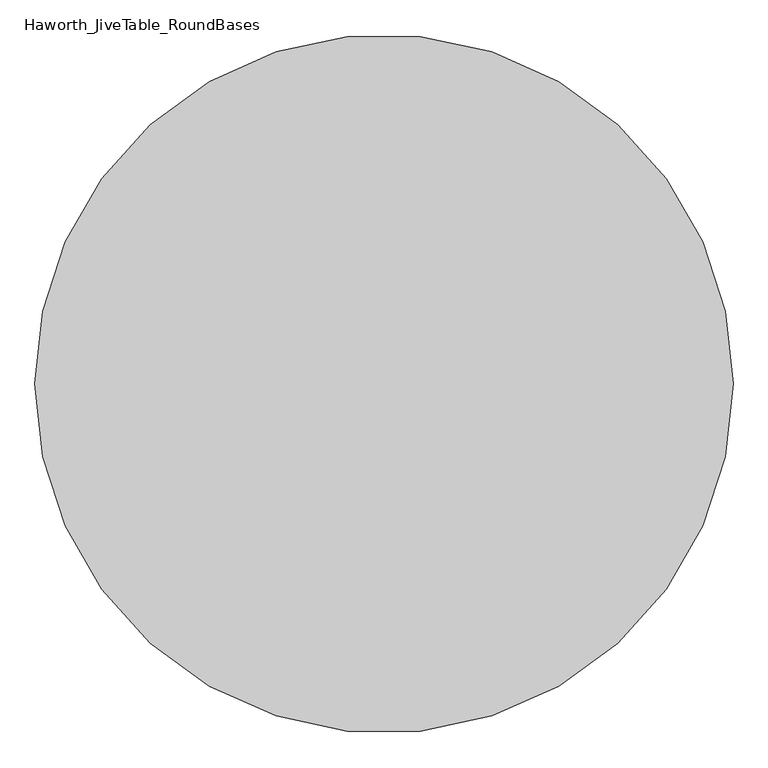
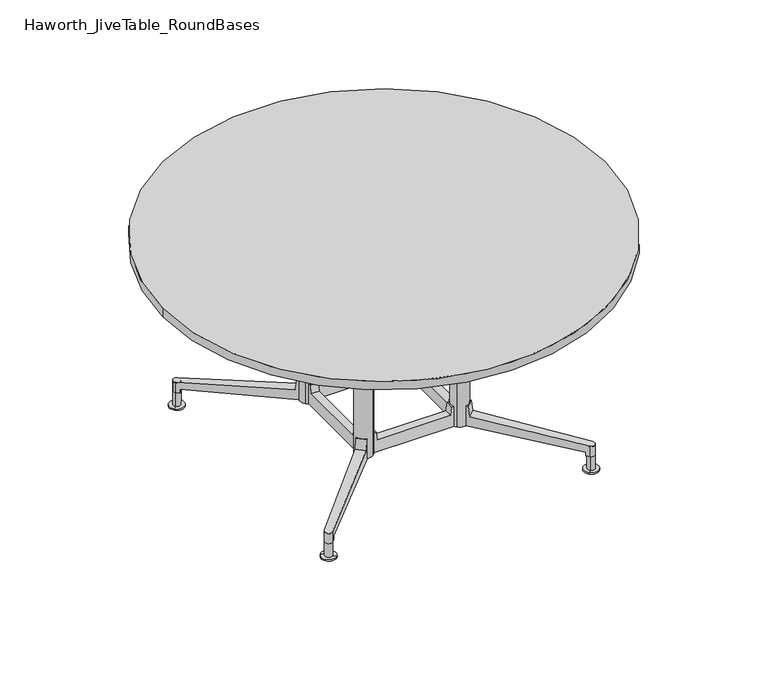
"""IFC4 building model written with IfcOpenShell, lengths in millimetres: furniture geometry, Haworth_JiveTable_RoundBases."""

import ifcopenshell
import ifcopenshell.guid

model = None  # the IFC model being written
_history = None  # IfcOwnerHistory: only IFC2X3 demands one
_inside = {}  # id of a spatial element -> (the spatial element, [elements in it])
_under = {}  # id of a project, library or spatial element -> (it, [spatial elements below it])
_declared = {}  # id of a project -> (the project, [libraries it declares])
_typed = {}  # id of a type object -> (the type object, [elements of that type])
_made_of = {}  # id of a material, layer set ... -> (it, [elements and type objects made of it])


def new_model(schema):
    """Start an empty IFC model of exactly this schema.

    Asked for "IFC4X3", IfcOpenShell would pick the latest addendum, in which some entities
    have other attributes; the version numbers below select the first issue.
    IFC2X3 requires an IfcOwnerHistory on every rooted entity: one is made here for all.
    """
    global model, _history
    if schema == "IFC4X3":
        model = ifcopenshell.file(schema_version=(4, 3, 0, 0))
    else:
        model = ifcopenshell.file(schema=schema)
    _inside.clear()
    _under.clear()
    _declared.clear()
    _typed.clear()
    _made_of.clear()
    _history = None
    if model.schema == "IFC2X3":
        org = make("IfcOrganization", Name="unknown")
        user = make(
            "IfcPersonAndOrganization",
            ThePerson=make("IfcPerson", FamilyName="unknown"),
            TheOrganization=org,
        )
        app = make(
            "IfcApplication",
            ApplicationDeveloper=org,
            Version="unknown",
            ApplicationFullName="unknown",
            ApplicationIdentifier="unknown",
        )
        _history = make(
            "IfcOwnerHistory",
            OwningUser=user,
            OwningApplication=app,
            ChangeAction="ADDED",
            CreationDate=0,
        )
    return model


def make(cls, **values):
    """One entity of the class cls with the attributes given. An attribute that is None is left unset."""
    return model.create_entity(
        cls, **{name: value for name, value in values.items() if value is not None}
    )


def rooted(cls, **values):
    """An entity with a GlobalId (a new one), such as an element, a storey or a relation."""
    return make(cls, GlobalId=ifcopenshell.guid.new(), OwnerHistory=_history, **values)


def si_unit(unit_type, name, prefix=None):
    """IfcSIUnit, for example si_unit("LENGTHUNIT", "METRE", prefix="MILLI")."""
    return make("IfcSIUnit", UnitType=unit_type, Prefix=prefix, Name=name)


def assignment(units):
    """IfcUnitAssignment: the units of a project."""
    return None if units is None else make("IfcUnitAssignment", Units=units)


def point(xyz):
    """IfcCartesianPoint."""
    return None if xyz is None else make("IfcCartesianPoint", Coordinates=xyz)


def direction(xyz):
    """IfcDirection."""
    return None if xyz is None else make("IfcDirection", DirectionRatios=xyz)


def frame(location, z_axis=None, x_axis=None):
    """IfcAxis2Placement3D, a coordinate frame: its origin and axes. An axis left out is left unset."""
    return make(
        "IfcAxis2Placement3D",
        Location=point(location),
        Axis=direction(z_axis),
        RefDirection=direction(x_axis),
    )


def frame_2d(location, x_axis=None):
    """IfcAxis2Placement2D, a coordinate frame in the plane: its origin and x axis."""
    return make(
        "IfcAxis2Placement2D", Location=point(location), RefDirection=direction(x_axis)
    )


def origin():
    """The frame at (0, 0, 0) with its axes left unset."""
    return frame((0.0, 0.0, 0.0))


def origin_2d():
    """The frame at (0, 0) in the plane with its x axis left unset."""
    return frame_2d((0.0, 0.0))


def place(relative_to, where):
    """IfcLocalPlacement: puts the frame where relative to a parent placement (None: the world)."""
    return make(
        "IfcLocalPlacement", PlacementRelTo=relative_to, RelativePlacement=where
    )


def context(
    kind, dimensions, precision=None, world=None, true_north=None, identifier=None
):
    """IfcGeometricRepresentationContext, for example the 3D "Model" context."""
    return make(
        "IfcGeometricRepresentationContext",
        ContextIdentifier=identifier,
        ContextType=kind,
        CoordinateSpaceDimension=dimensions,
        Precision=precision,
        WorldCoordinateSystem=world,
        TrueNorth=true_north,
    )


def project(units=None, contexts=None):
    """IfcProject with its units and contexts."""
    return rooted(
        "IfcProject",
        Name="project",
        RepresentationContexts=contexts,
        UnitsInContext=assignment(units),
    )


def spatial(cls, under=None, at=None, **own):
    """A site, building, storey or space (cls), placed at a placement, below another one or the project."""
    s = rooted(cls, ObjectPlacement=at, **own)
    if under is not None:
        _under.setdefault(under.id(), (under, []))[1].append(s)
    return s


def polyline(points):
    """IfcPolyline through the points."""
    return make("IfcPolyline", Points=[point(p) for p in points])


def circle_curve(where, radius):
    """IfcCircle in the frame where."""
    return make("IfcCircle", Position=where, Radius=radius)


def ellipse_curve(where, semi_axis1, semi_axis2):
    """IfcEllipse in the frame where."""
    return make(
        "IfcEllipse", Position=where, SemiAxis1=semi_axis1, SemiAxis2=semi_axis2
    )


def trimmed(basis, trim1, trim2, sense, master):
    """IfcTrimmedCurve: the piece of a basis curve between two trims."""
    return make(
        "IfcTrimmedCurve",
        BasisCurve=basis,
        Trim1=trim1,
        Trim2=trim2,
        SenseAgreement=sense,
        MasterRepresentation=master,
    )


def segment(curve, same_sense, transition):
    """IfcCompositeCurveSegment."""
    return make(
        "IfcCompositeCurveSegment",
        Transition=transition,
        SameSense=same_sense,
        ParentCurve=curve,
    )


def composite_curve(segments, self_intersect=None):
    """IfcCompositeCurve: segments joined end to end."""
    return make("IfcCompositeCurve", Segments=segments, SelfIntersect=self_intersect)


def outline(outer, holes=None, kind="AREA"):
    """IfcArbitraryClosedProfileDef: a profile drawn as a closed curve; with holes, ...WithVoids."""
    if holes is None:
        return make("IfcArbitraryClosedProfileDef", ProfileType=kind, OuterCurve=outer)
    return make(
        "IfcArbitraryProfileDefWithVoids",
        ProfileType=kind,
        OuterCurve=outer,
        InnerCurves=holes,
    )


def extrude(swept, where, along, depth):
    """IfcExtrudedAreaSolid: the profile swept, set in the frame where, extruded along a direction by depth."""
    return make(
        "IfcExtrudedAreaSolid",
        SweptArea=swept,
        Position=where,
        ExtrudedDirection=direction(along),
        Depth=depth,
    )


def shape(context_of_items, identifier, shape_type, items):
    """IfcShapeRepresentation: the items that make up one representation, for example the "Body"."""
    return make(
        "IfcShapeRepresentation",
        ContextOfItems=context_of_items,
        RepresentationIdentifier=identifier,
        RepresentationType=shape_type,
        Items=items,
    )


def source(mapping_origin, context_of_items, identifier, shape_type, items):
    """IfcRepresentationMap: a shape defined once, which mapped items show again and again."""
    return make(
        "IfcRepresentationMap",
        MappingOrigin=mapping_origin,
        MappedRepresentation=shape(context_of_items, identifier, shape_type, items),
    )


def transform(
    local_origin,
    x_axis=None,
    y_axis=None,
    z_axis=None,
    scale=None,
    scale2=None,
    scale3=None,
    uniform=True,
):
    """IfcCartesianTransformationOperator3D, or its non-uniform kind. x_axis, y_axis, z_axis: its Axis1, 2, 3."""
    if uniform:
        return make(
            "IfcCartesianTransformationOperator3D",
            Axis1=direction(x_axis),
            Axis2=direction(y_axis),
            LocalOrigin=point(local_origin),
            Scale=scale,
            Axis3=direction(z_axis),
        )
    return make(
        "IfcCartesianTransformationOperator3DnonUniform",
        Axis1=direction(x_axis),
        Axis2=direction(y_axis),
        LocalOrigin=point(local_origin),
        Scale=scale,
        Axis3=direction(z_axis),
        Scale2=scale2,
        Scale3=scale3,
    )


def mapped(mapping_source, mapping_target):
    """IfcMappedItem: shows the shape of a source again, moved by a transform."""
    return make(
        "IfcMappedItem", MappingSource=mapping_source, MappingTarget=mapping_target
    )


def made_of(thing, what):
    """Note that an element or type object is made of a material, layer set ...; save() writes the relation."""
    if what is not None:
        _made_of.setdefault(what.id(), (what, []))[1].append(thing)
    return thing


def element(
    cls,
    number,
    at=None,
    inside=None,
    cuts=None,
    type_object=None,
    material=None,
    context=None,
    identifier="Body",
    shape_type=None,
    held_by="IfcProductDefinitionShape",
    body=None,
    shapes=None,
    **own,
):
    """One element of the class cls, such as IfcWall. Its Tag is "e" and its number.

    at: its placement. inside: the storey or other place that contains it. cuts: it is an
    opening in that element (IfcRelVoidsElement). A single representation is given by context,
    identifier, shape_type and body (its items); several are given by shapes. held_by: the class
    of the entity that holds the representations. save() writes the other relations.
    """
    e = rooted(cls, Tag="e%d" % number, ObjectPlacement=at, **own)
    if body is not None:
        shapes = [shape(context, identifier, shape_type, body)]
    if shapes is not None:
        e.Representation = make(held_by, Representations=shapes)
    if inside is not None:
        _inside.setdefault(inside.id(), (inside, []))[1].append(e)
    if cuts is not None:
        rooted(
            "IfcRelVoidsElement", RelatingBuildingElement=cuts, RelatedOpeningElement=e
        )
    if type_object is not None:
        _typed.setdefault(type_object.id(), (type_object, []))[1].append(e)
    return made_of(e, material)


def aggregate(whole, parts):
    """IfcRelAggregates: a whole, such as a stair, and the parts it consists of."""
    return rooted("IfcRelAggregates", RelatingObject=whole, RelatedObjects=parts)


def save(model, path):
    """Write the relations noted so far, then the file.

    IfcRelAggregates (storeys below a building ...), IfcRelContainedInSpatialStructure (elements
    in a storey), IfcRelDefinesByType, IfcRelAssociatesMaterial and IfcRelDeclares: one each for
    every whole, place, type object, material and project.
    """
    for whole, parts in _under.values():
        aggregate(whole, parts)
    for where, things in _inside.values():
        rooted(
            "IfcRelContainedInSpatialStructure",
            RelatedElements=things,
            RelatingStructure=where,
        )
    for kind, things in _typed.values():
        rooted("IfcRelDefinesByType", RelatedObjects=things, RelatingType=kind)
    for what, things in _made_of.values():
        rooted("IfcRelAssociatesMaterial", RelatedObjects=things, RelatingMaterial=what)
    for by, libraries in _declared.values():
        rooted("IfcRelDeclares", RelatingContext=by, RelatedDefinitions=libraries)
    model.write(path)


def plane_surface(at):
    """IfcPlane: the flat surface through the origin of the frame at, square to its z axis."""
    return make("IfcPlane", Position=at)


def cylinder_surface(at, radius):
    """IfcCylindricalSurface: all points at the distance radius from the z axis of the frame at."""
    return make("IfcCylindricalSurface", Position=at, Radius=radius)


def revolved_surface(curve, axis_point, axis_direction):
    """IfcSurfaceOfRevolution: the curve turned about the line through axis_point along axis_direction."""
    return make(
        "IfcSurfaceOfRevolution",
        SweptCurve=make("IfcArbitraryOpenProfileDef", ProfileType="CURVE", Curve=curve),
        AxisPosition=make("IfcAxis1Placement", Location=point(axis_point), Axis=direction(axis_direction)),
    )


def advanced_brep(points, edges, surfaces, faces):
    """IfcAdvancedBrep: a solid bounded by faces that lie on surfaces and meet in shared edges.

    An edge is (start, end): straight between two places in points (the first is 0);
    or (start, end, curve); or (start, end, curve, False) where it runs against its curve.
    A face is (place in surfaces, loops), or (place, loops, False) where it looks against
    its surface's normal. A loop lists edges by number (the first is 1), with a minus sign
    where the edge is run from its end to its start. The first loop is the outer one.
    """
    corners = [point(p) for p in points]
    vertices = [make("IfcVertexPoint", VertexGeometry=c) for c in corners]
    made = []
    for start, end, *more in edges:
        made.append(
            make(
                "IfcEdgeCurve",
                EdgeStart=vertices[start],
                EdgeEnd=vertices[end],
                EdgeGeometry=more[0] if more else make("IfcPolyline", Points=[corners[start], corners[end]]),
                SameSense=more[1] if len(more) > 1 else True,
            )
        )
    hull = []
    for where, loops, *sense in faces:
        bounds = []
        for j, loop in enumerate(loops):
            ring = [make("IfcOrientedEdge", EdgeElement=made[abs(k) - 1], Orientation=k > 0) for k in loop]
            bounds.append(
                make(
                    "IfcFaceOuterBound" if j == 0 else "IfcFaceBound",
                    Bound=make("IfcEdgeLoop", EdgeList=ring),
                    Orientation=True,
                )
            )
        hull.append(make("IfcAdvancedFace", Bounds=bounds, FaceSurface=surfaces[where], SameSense=sense[0] if sense else True))
    return make("IfcAdvancedBrep", Outer=make("IfcClosedShell", CfsFaces=hull))


def haworth_jivetable_roundbases_fe98d9b0(model_context):
    return source(origin(), model_context, "Body", "SolidModel", [
        advanced_brep(
        [(170.888917, -194.8375246, 173.0375), (174.9978014, -198.8640417, 173.0375), (198.7923532, -175.5826329, 173.0375), (194.376776, -171.0697325, 173.0375), (194.376776, -171.0697325, 101.0421222), (170.888917, -194.8375246, 100.9940325), (202.3979173, -179.2676669, 136.3947533), (461.0733306, -443.6445174, 93.1247093), (461.0733306, -443.6445174, 55.5625), (452.4259678, -434.806559, 55.5625), (452.4259678, -434.806559, 69.4767965), (443.325022, -461.8123334, 93.057626), (443.325022, -461.8123334, 55.5625), (434.0821686, -452.7547637, 69.4767965), (434.0821686, -452.7547637, 55.5625), (178.6808514, -202.4732607, 136.3947533)],
        [
            (0, 1),
            (1, 2),
            (2, 3),
            (3, 0, circle_curve(frame((164.7248786, -165.2565777, 173.0375), z_axis=(0.0, 0.0, -1.0), x_axis=(0.7071067811865495, -0.7071067811865461, 0.0)), 30.2163497)),
            (3, 4),
            (4, 5, ellipse_curve(frame((164.7248786, -165.2565777, 103.1715999), z_axis=(-0.05961052197709179, 0.06092439113215622, -0.9963607801568641), x_axis=(0.6968124284208097, -0.7121707968128778, -0.08523611772719783)), 30.3267153, 30.2163497)),
            (5, 0),
            (2, 6),
            (6, 7),
            (7, 8),
            (8, 9),
            (9, 10),
            (10, 4),
            (11, 12),
            (12, 8, circle_curve(frame((452.0930745, -452.6247735, 55.5625), z_axis=(0.0, 0.0, 1.0), x_axis=(0.7071067811865495, -0.7071067811865461, 0.0)), 12.7)),
            (7, 11, ellipse_curve(frame((452.0930745, -452.6247735, 93.1085155), z_axis=(-0.08126042360887147, 0.08305147593597909, -0.9932266588748826), x_axis=(-0.6946205570575879, 0.7099306146467901, 0.11619296063117338)), 12.7866081, 12.7)),
            (5, 13),
            (13, 14),
            (14, 12),
            (11, 15),
            (15, 1),
            (6, 15),
            (10, 13),
            (9, 14),
        ],
        [
            plane_surface(frame((186.0910644, -186.6227634, 173.0375), z_axis=(0.0, 0.0, 1.0000000000000002), x_axis=(0.7071067811865459, 0.7071067811865492, 0.0))),
            revolved_surface(polyline([(186.09106437557418, -186.62276347557406, 100.58666842441), (186.09106437557418, -186.62276347557406, 173.0375)]), (164.7248786, -165.2565777, 30.1625), (0.0, 0.0, -1.0)),
            plane_surface(frame((194.376776, -171.0697325, 173.0375), z_axis=(0.7147720092924127, 0.6993575442733762, 0.0), x_axis=(0.0, 0.0, -1.0))),
            cylinder_surface(frame((452.0930745, -452.6247735, 30.1625), z_axis=(0.0, 0.0, 1.0), x_axis=(0.7071067811865495, -0.7071067811865461, 0.0)), 12.7),
            plane_surface(frame((443.325022, -461.8123334, 173.0375), z_axis=(-0.6999117667834052, -0.7142293180191727, 0.0), x_axis=(0.0, 0.0, -1.0))),
            plane_surface(frame((454.6282112, -494.3704026, 89.4104246), z_axis=(0.08126042360887147, -0.08305147593597909, 0.9932266588748826), x_axis=(0.714772009292413, 0.6993575442733757, 0.0))),
            plane_surface(frame((173.7481958, -207.2995408, 136.3947533), z_axis=(0.6925364975808149, -0.7078006206374374, 0.13932509086218658), x_axis=(0.714772009292413, 0.6993575442733757, 0.0))),
            plane_surface(frame((148.2100917, -181.140637, 103.1883894), z_axis=(-0.05961052197709179, 0.06092439113215622, -0.9963607801568641), x_axis=(0.7147720092924127, 0.699357544273376, 0.0))),
            plane_surface(frame((423.805198, -462.8101056, 69.4767965), z_axis=(-0.699357544273376, 0.7147720092924127, 0.0), x_axis=(0.7147720092924127, 0.699357544273376, 0.0))),
            plane_surface(frame((423.805198, -462.8101056, 55.5625), z_axis=(0.0, 0.0, -1.0), x_axis=(0.7147720092924127, 0.699357544273376, 0.0))),
        ],
        [
            (0, [[1, 2, 3, 4]]),
            (1, [[5, 6, 7, -4]]),
            (2, [[8, 9, 10, 11, 12, 13, -5, -3]]),
            (3, [[14, 15, -10, 16]]),
            (4, [[-7, 17, 18, 19, -14, 20, 21, -1]]),
            (5, [[-20, -16, -9, 22]]),
            (6, [[-8, -2, -21, -22]]),
            (7, [[-17, -6, -13, 23]]),
            (8, [[-12, 24, -18, -23]]),
            (9, [[-11, -15, -19, -24]]),
        ],
    ),
        advanced_brep(
        [(452.1640739, -452.5537741, 91.1070474), (461.14433, -443.573518, 91.1070474), (443.1838178, -461.5340303, 91.1070474), (434.2035616, -470.5142864, 0.0), (470.1245861, -434.5932619, 0.0), (452.1640739, -452.5537741, 0.0), (434.2035616, -470.5142864, 4.7625), (470.1245861, -434.5932619, 4.7625), (443.1838178, -461.5340303, 4.7625), (461.14433, -443.573518, 4.7625)],
        [
            (0, 1),
            (1, 2, circle_curve(frame((452.1640739, -452.5537741, 91.1070474), z_axis=(0.0, 0.0, 1.0), x_axis=(0.7071067811865104, 0.7071067811865848, 0.0)), 12.7)),
            (2, 0),
            (2, 1, circle_curve(frame((452.1640739, -452.5537741, 91.1070474), z_axis=(0.0, 0.0, 1.0), x_axis=(0.7071067811865104, 0.7071067811865848, 0.0)), 12.7)),
            (3, 4, circle_curve(frame((452.1640739, -452.5537741, 0.0), z_axis=(0.0, 0.0, -1.0), x_axis=(0.7071067811865104, 0.7071067811865848, 0.0)), 25.4)),
            (4, 5),
            (5, 3),
            (4, 3, circle_curve(frame((452.1640739, -452.5537741, 0.0), z_axis=(0.0, 0.0, -1.0), x_axis=(0.7071067811865104, 0.7071067811865848, 0.0)), 25.4)),
            (6, 7, circle_curve(frame((452.1640739, -452.5537741, 4.7625), z_axis=(0.0, 0.0, -1.0), x_axis=(0.7071067811865104, 0.7071067811865848, 0.0)), 25.4)),
            (7, 4),
            (3, 6),
            (7, 6, circle_curve(frame((452.1640739, -452.5537741, 4.7625), z_axis=(0.0, 0.0, -1.0), x_axis=(0.7071067811865104, 0.7071067811865848, 0.0)), 25.4)),
            (8, 9, circle_curve(frame((452.1640739, -452.5537741, 4.7625), z_axis=(0.0, 0.0, -1.0), x_axis=(0.7071067811865104, 0.7071067811865848, 0.0)), 12.7)),
            (9, 7),
            (6, 8),
            (9, 8, circle_curve(frame((452.1640739, -452.5537741, 4.7625), z_axis=(0.0, 0.0, -1.0), x_axis=(0.7071067811865104, 0.7071067811865848, 0.0)), 12.7)),
            (1, 9),
            (8, 2),
        ],
        [
            plane_surface(frame((452.1640739, -452.5537741, 91.1070474), z_axis=(0.0, 0.0, 1.0), x_axis=(0.7071067811865104, 0.7071067811865848, 0.0))),
            plane_surface(frame((452.1640739, -452.5537741, 0.0), z_axis=(0.0, 0.0, -1.0), x_axis=(0.7071067811865104, 0.7071067811865848, 0.0))),
            cylinder_surface(frame((452.1640739, -452.5537741, 106.1427212), z_axis=(0.0, 0.0, 1.0), x_axis=(0.7071067811865104, 0.7071067811865848, 0.0)), 25.4),
            plane_surface(frame((452.1640739, -452.5537741, 4.7625), z_axis=(0.0, 0.0, 1.0), x_axis=(0.7071067811865104, 0.7071067811865848, 0.0))),
            cylinder_surface(frame((452.1640739, -452.5537741, 106.1427212), z_axis=(0.0, 0.0, 1.0), x_axis=(0.7071067811865104, 0.7071067811865848, 0.0)), 12.7),
        ],
        [
            (0, [[1, 2, 3]]),
            (0, [[-3, 4, -1]]),
            (1, [[5, 6, 7]]),
            (1, [[8, -7, -6]]),
            (2, [[9, 10, -5, 11]]),
            (2, [[12, -11, -8, -10]]),
            (3, [[13, 14, -9, 15]]),
            (3, [[16, -15, -12, -14]]),
            (4, [[-2, 17, -13, 18]]),
            (4, [[-4, -18, -16, -17]]),
        ],
    ),
        extrude(outline(composite_curve([segment(trimmed(circle_curve(frame_2d((165.0598712, -164.8023438)), 29.972), [point((186.2532756, -143.6089393))], [point((143.8664667, -185.9957482))], False, "CARTESIAN"), True, "CONTINUOUS"), segment(trimmed(circle_curve(frame_2d((165.0598712, -164.8023438)), 29.972), [point((143.8664667, -185.9957482))], [point((186.2532756, -143.6089393))], False, "CARTESIAN"), True, "CONTINUOUS")], self_intersect=False)), frame((0.0, 0.0, 100.8404831), z_axis=(0.0, 0.0, 1.0), x_axis=(1.0, 0.0, 0.0)), (0.0, 0.0, 1.0), 599.2470169),
        extrude(outline(composite_curve([segment(trimmed(circle_curve(frame_2d((232.2796151, -97.5825999)), 8.9802561), [point((232.2796151, -88.6023438))], [point((241.2598712, -97.5825999))], False, "CARTESIAN"), True, "CONTINUOUS"), segment(polyline([(241.2598712, -97.5825999), (241.2598712, -232.0220876)]), True, "CONTINUOUS"), segment(trimmed(circle_curve(frame_2d((232.2796151, -232.0220876)), 8.9802561), [point((241.2598712, -232.0220876))], [point((232.2796151, -241.0023438))], False, "CARTESIAN"), True, "CONTINUOUS"), segment(polyline([(232.2796151, -241.0023438), (97.8401273, -241.0023438)]), True, "CONTINUOUS"), segment(trimmed(circle_curve(frame_2d((97.8401273, -232.0220876)), 8.9802561), [point((97.8401273, -241.0023438))], [point((88.8598712, -232.0220876))], False, "CARTESIAN"), True, "CONTINUOUS"), segment(polyline([(88.8598712, -232.0220876), (88.8598712, -97.5825999)]), True, "CONTINUOUS"), segment(trimmed(circle_curve(frame_2d((97.8401273, -97.5825999)), 8.9802561), [point((88.8598712, -97.5825999))], [point((97.8401273, -88.6023438))], False, "CARTESIAN"), True, "CONTINUOUS"), segment(polyline([(97.8401273, -88.6023438), (232.2796151, -88.6023438)]), True, "CONTINUOUS")], self_intersect=False)), frame((0.0, 0.0, 700.0875), z_axis=(0.0, 0.0, 1.0), x_axis=(1.0, 0.0, 0.0)), (0.0, 0.0, 1.0), 6.35),
        advanced_brep(
        [(-170.888917, -194.8375246, 173.0375), (-194.376776, -171.0697325, 173.0375), (-198.7923532, -175.5826329, 173.0375), (-174.9978014, -198.8640417, 173.0375), (-170.888917, -194.8375246, 100.9940325), (-194.376776, -171.0697325, 101.0421222), (-452.4259678, -434.806559, 69.4767965), (-452.4259678, -434.806559, 55.5625), (-461.0733306, -443.6445174, 55.5625), (-461.0733306, -443.6445174, 93.1247093), (-202.3979173, -179.2676669, 136.3947533), (-443.325022, -461.8123334, 93.057626), (-443.325022, -461.8123334, 55.5625), (-178.6808514, -202.4732607, 136.3947533), (-434.0821686, -452.7547637, 55.5625), (-434.0821686, -452.7547637, 69.4767965)],
        [
            (0, 1, circle_curve(frame((-164.7248786, -165.2565777, 173.0375), z_axis=(0.0, 0.0, -1.0), x_axis=(-0.7071067811865495, -0.7071067811865461, 0.0)), 30.2163497)),
            (1, 2),
            (2, 3),
            (3, 0),
            (0, 4),
            (4, 5, ellipse_curve(frame((-164.7248786, -165.2565777, 103.1715999), z_axis=(0.05961052197709179, 0.06092439113215622, -0.9963607801568641), x_axis=(-0.6968124284208097, -0.7121707968128778, -0.08523611772719783)), 30.3267153, 30.2163497)),
            (5, 1),
            (5, 6),
            (6, 7),
            (7, 8),
            (8, 9),
            (9, 10),
            (10, 2),
            (11, 9, ellipse_curve(frame((-452.0930745, -452.6247735, 93.1085155), z_axis=(0.08126042360887147, 0.08305147593597909, -0.9932266588748826), x_axis=(0.6946205570575879, 0.7099306146467901, 0.11619296063117338)), 12.7866081, 12.7)),
            (8, 12, circle_curve(frame((-452.0930745, -452.6247735, 55.5625), z_axis=(0.0, 0.0, 1.0), x_axis=(-0.7071067811865495, -0.7071067811865461, 0.0)), 12.7)),
            (12, 11),
            (3, 13),
            (13, 11),
            (12, 14),
            (14, 15),
            (15, 4),
            (13, 10),
            (15, 6),
            (14, 7),
        ],
        [
            plane_surface(frame((-186.0910644, -186.6227634, 173.0375), z_axis=(0.0, 0.0, 1.0000000000000002), x_axis=(-0.7071067811865459, 0.7071067811865492, 0.0))),
            revolved_surface(polyline([(-186.09106437557418, -186.62276347557406, 100.58666842441), (-186.09106437557418, -186.62276347557406, 173.0375)]), (-164.7248786, -165.2565777, 30.1625), (0.0, 0.0, -1.0)),
            plane_surface(frame((-194.376776, -171.0697325, 173.0375), z_axis=(-0.7147720092924127, 0.6993575442733762, 0.0), x_axis=(0.0, 0.0, -1.0))),
            cylinder_surface(frame((-452.0930745, -452.6247735, 30.1625), z_axis=(0.0, 0.0, 1.0), x_axis=(-0.7071067811865495, -0.7071067811865461, 0.0)), 12.7),
            plane_surface(frame((-443.325022, -461.8123334, 173.0375), z_axis=(0.6999117667834052, -0.7142293180191727, 0.0), x_axis=(0.0, 0.0, -1.0))),
            plane_surface(frame((-454.6282112, -494.3704026, 89.4104246), z_axis=(-0.08126042360887147, -0.08305147593597909, 0.9932266588748826), x_axis=(-0.714772009292413, 0.6993575442733757, 0.0))),
            plane_surface(frame((-173.7481958, -207.2995408, 136.3947533), z_axis=(-0.6925364975808149, -0.7078006206374374, 0.13932509086218658), x_axis=(-0.714772009292413, 0.6993575442733757, 0.0))),
            plane_surface(frame((-148.2100917, -181.140637, 103.1883894), z_axis=(0.05961052197709179, 0.06092439113215622, -0.9963607801568641), x_axis=(-0.7147720092924127, 0.699357544273376, 0.0))),
            plane_surface(frame((-423.805198, -462.8101056, 69.4767965), z_axis=(0.699357544273376, 0.7147720092924127, 0.0), x_axis=(-0.7147720092924127, 0.699357544273376, 0.0))),
            plane_surface(frame((-423.805198, -462.8101056, 55.5625), z_axis=(0.0, 0.0, -1.0), x_axis=(-0.7147720092924127, 0.699357544273376, 0.0))),
        ],
        [
            (0, [[1, 2, 3, 4]]),
            (1, [[-1, 5, 6, 7]]),
            (2, [[-2, -7, 8, 9, 10, 11, 12, 13]]),
            (3, [[14, -11, 15, 16]]),
            (4, [[-4, 17, 18, -16, 19, 20, 21, -5]]),
            (5, [[22, -12, -14, -18]]),
            (6, [[-22, -17, -3, -13]]),
            (7, [[23, -8, -6, -21]]),
            (8, [[-23, -20, 24, -9]]),
            (9, [[-24, -19, -15, -10]]),
        ],
    ),
        advanced_brep(
        [(-452.1640739, -452.5537741, 91.1070474), (-443.1838178, -461.5340303, 91.1070474), (-461.14433, -443.573518, 91.1070474), (-434.2035616, -470.5142864, 0.0), (-452.1640739, -452.5537741, 0.0), (-470.1245861, -434.5932619, 0.0), (-434.2035616, -470.5142864, 4.7625), (-470.1245861, -434.5932619, 4.7625), (-443.1838178, -461.5340303, 4.7625), (-461.14433, -443.573518, 4.7625)],
        [
            (0, 1),
            (1, 2, circle_curve(frame((-452.1640739, -452.5537741, 91.1070474), z_axis=(0.0, 0.0, 1.0), x_axis=(-0.7071067811865104, 0.7071067811865848, 0.0)), 12.7)),
            (2, 0),
            (2, 1, circle_curve(frame((-452.1640739, -452.5537741, 91.1070474), z_axis=(0.0, 0.0, 1.0), x_axis=(-0.7071067811865104, 0.7071067811865848, 0.0)), 12.7)),
            (3, 4),
            (4, 5),
            (5, 3, circle_curve(frame((-452.1640739, -452.5537741, 0.0), z_axis=(0.0, 0.0, -1.0), x_axis=(-0.7071067811865104, 0.7071067811865848, 0.0)), 25.4)),
            (3, 5, circle_curve(frame((-452.1640739, -452.5537741, 0.0), z_axis=(0.0, 0.0, -1.0), x_axis=(-0.7071067811865104, 0.7071067811865848, 0.0)), 25.4)),
            (6, 3),
            (5, 7),
            (7, 6, circle_curve(frame((-452.1640739, -452.5537741, 4.7625), z_axis=(0.0, 0.0, -1.0), x_axis=(-0.7071067811865104, 0.7071067811865848, 0.0)), 25.4)),
            (6, 7, circle_curve(frame((-452.1640739, -452.5537741, 4.7625), z_axis=(0.0, 0.0, -1.0), x_axis=(-0.7071067811865104, 0.7071067811865848, 0.0)), 25.4)),
            (8, 6),
            (7, 9),
            (9, 8, circle_curve(frame((-452.1640739, -452.5537741, 4.7625), z_axis=(0.0, 0.0, -1.0), x_axis=(-0.7071067811865104, 0.7071067811865848, 0.0)), 12.7)),
            (8, 9, circle_curve(frame((-452.1640739, -452.5537741, 4.7625), z_axis=(0.0, 0.0, -1.0), x_axis=(-0.7071067811865104, 0.7071067811865848, 0.0)), 12.7)),
            (1, 8),
            (9, 2),
        ],
        [
            plane_surface(frame((-452.1640739, -452.5537741, 91.1070474), z_axis=(0.0, 0.0, 1.0), x_axis=(-0.7071067811865104, 0.7071067811865848, 0.0))),
            plane_surface(frame((-452.1640739, -452.5537741, 0.0), z_axis=(0.0, 0.0, -1.0), x_axis=(-0.7071067811865104, 0.7071067811865848, 0.0))),
            cylinder_surface(frame((-452.1640739, -452.5537741, 106.1427212), z_axis=(0.0, 0.0, 1.0), x_axis=(-0.7071067811865104, 0.7071067811865848, 0.0)), 25.4),
            plane_surface(frame((-452.1640739, -452.5537741, 4.7625), z_axis=(0.0, 0.0, 1.0), x_axis=(-0.7071067811865104, 0.7071067811865848, 0.0))),
            cylinder_surface(frame((-452.1640739, -452.5537741, 106.1427212), z_axis=(0.0, 0.0, 1.0), x_axis=(-0.7071067811865104, 0.7071067811865848, 0.0)), 12.7),
        ],
        [
            (0, [[1, 2, 3]]),
            (0, [[-3, 4, -1]]),
            (1, [[5, 6, 7]]),
            (1, [[-6, -5, 8]]),
            (2, [[9, -7, 10, 11]]),
            (2, [[-10, -8, -9, 12]]),
            (3, [[13, -11, 14, 15]]),
            (3, [[-14, -12, -13, 16]]),
            (4, [[17, -15, 18, -2]]),
            (4, [[-18, -16, -17, -4]]),
        ],
    ),
        extrude(outline(composite_curve([segment(trimmed(circle_curve(frame_2d((-165.0598712, -164.8023438)), 29.972), [point((-186.2532756, -143.6089393))], [point((-143.8664667, -185.9957482))], False, "CARTESIAN"), True, "CONTINUOUS"), segment(trimmed(circle_curve(frame_2d((-165.0598712, -164.8023438)), 29.972), [point((-143.8664667, -185.9957482))], [point((-186.2532756, -143.6089393))], False, "CARTESIAN"), True, "CONTINUOUS")], self_intersect=False)), frame((0.0, 0.0, 100.8404831), z_axis=(0.0, 0.0, 1.0), x_axis=(1.0, 0.0, 0.0)), (0.0, 0.0, 1.0), 599.2470169),
        extrude(outline(composite_curve([segment(polyline([(-232.2796151, -88.6023438), (-97.8401273, -88.6023438)]), True, "CONTINUOUS"), segment(trimmed(circle_curve(frame_2d((-97.8401273, -97.5825999)), 8.9802561), [point((-97.8401273, -88.6023438))], [point((-88.8598712, -97.5825999))], False, "CARTESIAN"), True, "CONTINUOUS"), segment(polyline([(-88.8598712, -97.5825999), (-88.8598712, -232.0220876)]), True, "CONTINUOUS"), segment(trimmed(circle_curve(frame_2d((-97.8401273, -232.0220876)), 8.9802561), [point((-88.8598712, -232.0220876))], [point((-97.8401273, -241.0023438))], False, "CARTESIAN"), True, "CONTINUOUS"), segment(polyline([(-97.8401273, -241.0023438), (-232.2796151, -241.0023438)]), True, "CONTINUOUS"), segment(trimmed(circle_curve(frame_2d((-232.2796151, -232.0220876)), 8.9802561), [point((-232.2796151, -241.0023438))], [point((-241.2598712, -232.0220876))], False, "CARTESIAN"), True, "CONTINUOUS"), segment(polyline([(-241.2598712, -232.0220876), (-241.2598712, -97.5825999)]), True, "CONTINUOUS"), segment(trimmed(circle_curve(frame_2d((-232.2796151, -97.5825999)), 8.9802561), [point((-241.2598712, -97.5825999))], [point((-232.2796151, -88.6023438))], False, "CARTESIAN"), True, "CONTINUOUS")], self_intersect=False)), frame((0.0, 0.0, 700.0875), z_axis=(0.0, 0.0, 1.0), x_axis=(1.0, 0.0, 0.0)), (0.0, 0.0, 1.0), 6.35),
        advanced_brep(
        [(170.888917, 194.8656432, 173.0375), (194.376776, 171.0978511, 173.0375), (198.7923532, 175.6107515, 173.0375), (174.9978014, 198.8921602, 173.0375), (170.888917, 194.8656432, 100.9940325), (194.376776, 171.0978511, 101.0421222), (452.4259678, 434.8346776, 69.4767965), (452.4259678, 434.8346776, 55.5625), (461.0733306, 443.672636, 55.5625), (461.0733306, 443.672636, 93.1247093), (202.3979173, 179.2957854, 136.3947533), (443.325022, 461.840452, 93.057626), (443.325022, 461.840452, 55.5625), (178.6808514, 202.5013793, 136.3947533), (434.0821686, 452.7828822, 55.5625), (434.0821686, 452.7828822, 69.4767965)],
        [
            (0, 1, circle_curve(frame((164.7248786, 165.2846962, 173.0375), z_axis=(0.0, 0.0, -1.0), x_axis=(0.7071067811865495, 0.7071067811865461, 0.0)), 30.2163497)),
            (1, 2),
            (2, 3),
            (3, 0),
            (0, 4),
            (4, 5, ellipse_curve(frame((164.7248786, 165.2846962, 103.1715999), z_axis=(-0.05961052197709179, -0.06092439113215622, -0.9963607801568641), x_axis=(0.6968124284208097, 0.7121707968128778, -0.08523611772719783)), 30.3267153, 30.2163497)),
            (5, 1),
            (5, 6),
            (6, 7),
            (7, 8),
            (8, 9),
            (9, 10),
            (10, 2),
            (11, 9, ellipse_curve(frame((452.0930745, 452.6528921, 93.1085155), z_axis=(-0.08126042360887147, -0.08305147593597909, -0.9932266588748826), x_axis=(-0.6946205570575879, -0.7099306146467901, 0.11619296063117338)), 12.7866081, 12.7)),
            (8, 12, circle_curve(frame((452.0930745, 452.6528921, 55.5625), z_axis=(0.0, 0.0, 1.0), x_axis=(0.7071067811865495, 0.7071067811865461, 0.0)), 12.7)),
            (12, 11),
            (3, 13),
            (13, 11),
            (12, 14),
            (14, 15),
            (15, 4),
            (13, 10),
            (15, 6),
            (14, 7),
        ],
        [
            plane_surface(frame((186.0910644, 186.650882, 173.0375), z_axis=(0.0, 0.0, 1.0000000000000002), x_axis=(0.7071067811865459, -0.7071067811865492, 0.0))),
            revolved_surface(polyline([(186.09106437557418, 186.65088197557407, 100.58666842441), (186.09106437557418, 186.65088197557407, 173.0375)]), (164.7248786, 165.2846962, 30.1625), (0.0, 0.0, -1.0)),
            plane_surface(frame((194.376776, 171.0978511, 173.0375), z_axis=(0.7147720092924127, -0.6993575442733762, 0.0), x_axis=(0.0, 0.0, -1.0))),
            cylinder_surface(frame((452.0930745, 452.6528921, 30.1625), z_axis=(0.0, 0.0, 1.0), x_axis=(0.7071067811865495, 0.7071067811865461, 0.0)), 12.7),
            plane_surface(frame((443.325022, 461.840452, 173.0375), z_axis=(-0.6999117667834052, 0.7142293180191727, 0.0), x_axis=(0.0, 0.0, -1.0))),
            plane_surface(frame((454.6282112, 494.3985212, 89.4104246), z_axis=(0.08126042360887147, 0.08305147593597909, 0.9932266588748826), x_axis=(0.714772009292413, -0.6993575442733757, 0.0))),
            plane_surface(frame((173.7481958, 207.3276593, 136.3947533), z_axis=(0.6925364975808149, 0.7078006206374374, 0.13932509086218658), x_axis=(0.714772009292413, -0.6993575442733757, 0.0))),
            plane_surface(frame((148.2100917, 181.1687556, 103.1883894), z_axis=(-0.05961052197709179, -0.06092439113215622, -0.9963607801568641), x_axis=(0.7147720092924127, -0.699357544273376, 0.0))),
            plane_surface(frame((423.805198, 462.8382242, 69.4767965), z_axis=(-0.699357544273376, -0.7147720092924127, 0.0), x_axis=(0.7147720092924127, -0.699357544273376, 0.0))),
            plane_surface(frame((423.805198, 462.8382242, 55.5625), z_axis=(0.0, 0.0, -1.0), x_axis=(0.7147720092924127, -0.699357544273376, 0.0))),
        ],
        [
            (0, [[1, 2, 3, 4]]),
            (1, [[-1, 5, 6, 7]]),
            (2, [[-2, -7, 8, 9, 10, 11, 12, 13]]),
            (3, [[14, -11, 15, 16]]),
            (4, [[-4, 17, 18, -16, 19, 20, 21, -5]]),
            (5, [[22, -12, -14, -18]]),
            (6, [[-22, -17, -3, -13]]),
            (7, [[23, -8, -6, -21]]),
            (8, [[-23, -20, 24, -9]]),
            (9, [[-24, -19, -15, -10]]),
        ],
    ),
        advanced_brep(
        [(452.1640739, 452.5818927, 91.1070474), (443.1838178, 461.5621488, 91.1070474), (461.14433, 443.6016366, 91.1070474), (434.2035616, 470.542405, 0.0), (452.1640739, 452.5818927, 0.0), (470.1245861, 434.6213805, 0.0), (434.2035616, 470.542405, 4.7625), (470.1245861, 434.6213805, 4.7625), (443.1838178, 461.5621488, 4.7625), (461.14433, 443.6016366, 4.7625)],
        [
            (0, 1),
            (1, 2, circle_curve(frame((452.1640739, 452.5818927, 91.1070474), z_axis=(0.0, 0.0, 1.0), x_axis=(0.7071067811865104, -0.7071067811865848, 0.0)), 12.7)),
            (2, 0),
            (2, 1, circle_curve(frame((452.1640739, 452.5818927, 91.1070474), z_axis=(0.0, 0.0, 1.0), x_axis=(0.7071067811865104, -0.7071067811865848, 0.0)), 12.7)),
            (3, 4),
            (4, 5),
            (5, 3, circle_curve(frame((452.1640739, 452.5818927, 0.0), z_axis=(0.0, 0.0, -1.0), x_axis=(0.7071067811865104, -0.7071067811865848, 0.0)), 25.4)),
            (3, 5, circle_curve(frame((452.1640739, 452.5818927, 0.0), z_axis=(0.0, 0.0, -1.0), x_axis=(0.7071067811865104, -0.7071067811865848, 0.0)), 25.4)),
            (6, 3),
            (5, 7),
            (7, 6, circle_curve(frame((452.1640739, 452.5818927, 4.7625), z_axis=(0.0, 0.0, -1.0), x_axis=(0.7071067811865104, -0.7071067811865848, 0.0)), 25.4)),
            (6, 7, circle_curve(frame((452.1640739, 452.5818927, 4.7625), z_axis=(0.0, 0.0, -1.0), x_axis=(0.7071067811865104, -0.7071067811865848, 0.0)), 25.4)),
            (8, 6),
            (7, 9),
            (9, 8, circle_curve(frame((452.1640739, 452.5818927, 4.7625), z_axis=(0.0, 0.0, -1.0), x_axis=(0.7071067811865104, -0.7071067811865848, 0.0)), 12.7)),
            (8, 9, circle_curve(frame((452.1640739, 452.5818927, 4.7625), z_axis=(0.0, 0.0, -1.0), x_axis=(0.7071067811865104, -0.7071067811865848, 0.0)), 12.7)),
            (1, 8),
            (9, 2),
        ],
        [
            plane_surface(frame((452.1640739, 452.5818927, 91.1070474), z_axis=(0.0, 0.0, 1.0), x_axis=(0.7071067811865104, -0.7071067811865848, 0.0))),
            plane_surface(frame((452.1640739, 452.5818927, 0.0), z_axis=(0.0, 0.0, -1.0), x_axis=(0.7071067811865104, -0.7071067811865848, 0.0))),
            cylinder_surface(frame((452.1640739, 452.5818927, 106.1427212), z_axis=(0.0, 0.0, 1.0), x_axis=(0.7071067811865104, -0.7071067811865848, 0.0)), 25.4),
            plane_surface(frame((452.1640739, 452.5818927, 4.7625), z_axis=(0.0, 0.0, 1.0), x_axis=(0.7071067811865104, -0.7071067811865848, 0.0))),
            cylinder_surface(frame((452.1640739, 452.5818927, 106.1427212), z_axis=(0.0, 0.0, 1.0), x_axis=(0.7071067811865104, -0.7071067811865848, 0.0)), 12.7),
        ],
        [
            (0, [[1, 2, 3]]),
            (0, [[-3, 4, -1]]),
            (1, [[5, 6, 7]]),
            (1, [[-6, -5, 8]]),
            (2, [[9, -7, 10, 11]]),
            (2, [[-10, -8, -9, 12]]),
            (3, [[13, -11, 14, 15]]),
            (3, [[-14, -12, -13, 16]]),
            (4, [[17, -15, 18, -2]]),
            (4, [[-18, -16, -17, -4]]),
        ],
    ),
        extrude(outline(composite_curve([segment(trimmed(circle_curve(frame_2d((165.0598712, 164.8304623)), 29.972), [point((186.2532756, 143.6370579))], [point((143.8664667, 186.0238668))], False, "CARTESIAN"), True, "CONTINUOUS"), segment(trimmed(circle_curve(frame_2d((165.0598712, 164.8304623)), 29.972), [point((143.8664667, 186.0238668))], [point((186.2532756, 143.6370579))], False, "CARTESIAN"), True, "CONTINUOUS")], self_intersect=False)), frame((0.0, 0.0, 100.8404831), z_axis=(0.0, 0.0, 1.0), x_axis=(1.0, 0.0, 0.0)), (0.0, 0.0, 1.0), 599.2470169),
        extrude(outline(composite_curve([segment(polyline([(232.2796151, 88.6304623), (97.8401273, 88.6304623)]), True, "CONTINUOUS"), segment(trimmed(circle_curve(frame_2d((97.8401273, 97.6107184)), 8.9802561), [point((97.8401273, 88.6304623))], [point((88.8598712, 97.6107184))], False, "CARTESIAN"), True, "CONTINUOUS"), segment(polyline([(88.8598712, 97.6107184), (88.8598712, 232.0502062)]), True, "CONTINUOUS"), segment(trimmed(circle_curve(frame_2d((97.8401273, 232.0502062)), 8.9802561), [point((88.8598712, 232.0502062))], [point((97.8401273, 241.0304623))], False, "CARTESIAN"), True, "CONTINUOUS"), segment(polyline([(97.8401273, 241.0304623), (232.2796151, 241.0304623)]), True, "CONTINUOUS"), segment(trimmed(circle_curve(frame_2d((232.2796151, 232.0502062)), 8.9802561), [point((232.2796151, 241.0304623))], [point((241.2598712, 232.0502062))], False, "CARTESIAN"), True, "CONTINUOUS"), segment(polyline([(241.2598712, 232.0502062), (241.2598712, 97.6107184)]), True, "CONTINUOUS"), segment(trimmed(circle_curve(frame_2d((232.2796151, 97.6107184)), 8.9802561), [point((241.2598712, 97.6107184))], [point((232.2796151, 88.6304623))], False, "CARTESIAN"), True, "CONTINUOUS")], self_intersect=False)), frame((0.0, 0.0, 700.0875), z_axis=(0.0, 0.0, 1.0), x_axis=(1.0, 0.0, 0.0)), (0.0, 0.0, 1.0), 6.35),
        advanced_brep(
        [(-170.888917, 194.8656432, 173.0375), (-174.9978014, 198.8921602, 173.0375), (-198.7923532, 175.6107515, 173.0375), (-194.376776, 171.0978511, 173.0375), (-194.376776, 171.0978511, 101.0421222), (-170.888917, 194.8656432, 100.9940325), (-202.3979173, 179.2957854, 136.3947533), (-461.0733306, 443.672636, 93.1247093), (-461.0733306, 443.672636, 55.5625), (-452.4259678, 434.8346776, 55.5625), (-452.4259678, 434.8346776, 69.4767965), (-443.325022, 461.840452, 93.057626), (-443.325022, 461.840452, 55.5625), (-434.0821686, 452.7828822, 69.4767965), (-434.0821686, 452.7828822, 55.5625), (-178.6808514, 202.5013793, 136.3947533)],
        [
            (0, 1),
            (1, 2),
            (2, 3),
            (3, 0, circle_curve(frame((-164.7248786, 165.2846962, 173.0375), z_axis=(0.0, 0.0, -1.0), x_axis=(-0.7071067811865495, 0.7071067811865461, 0.0)), 30.2163497)),
            (3, 4),
            (4, 5, ellipse_curve(frame((-164.7248786, 165.2846962, 103.1715999), z_axis=(0.05961052197709179, -0.06092439113215622, -0.9963607801568641), x_axis=(-0.6968124284208097, 0.7121707968128778, -0.08523611772719783)), 30.3267153, 30.2163497)),
            (5, 0),
            (2, 6),
            (6, 7),
            (7, 8),
            (8, 9),
            (9, 10),
            (10, 4),
            (11, 12),
            (12, 8, circle_curve(frame((-452.0930745, 452.6528921, 55.5625), z_axis=(0.0, 0.0, 1.0), x_axis=(-0.7071067811865495, 0.7071067811865461, 0.0)), 12.7)),
            (7, 11, ellipse_curve(frame((-452.0930745, 452.6528921, 93.1085155), z_axis=(0.08126042360887147, -0.08305147593597909, -0.9932266588748826), x_axis=(0.6946205570575879, -0.7099306146467901, 0.11619296063117338)), 12.7866081, 12.7)),
            (5, 13),
            (13, 14),
            (14, 12),
            (11, 15),
            (15, 1),
            (6, 15),
            (10, 13),
            (9, 14),
        ],
        [
            plane_surface(frame((-186.0910644, 186.650882, 173.0375), z_axis=(0.0, 0.0, 1.0000000000000002), x_axis=(-0.7071067811865459, -0.7071067811865492, 0.0))),
            revolved_surface(polyline([(-186.09106437557418, 186.65088197557407, 100.58666842441), (-186.09106437557418, 186.65088197557407, 173.0375)]), (-164.7248786, 165.2846962, 30.1625), (0.0, 0.0, -1.0)),
            plane_surface(frame((-194.376776, 171.0978511, 173.0375), z_axis=(-0.7147720092924127, -0.6993575442733762, 0.0), x_axis=(0.0, 0.0, -1.0))),
            cylinder_surface(frame((-452.0930745, 452.6528921, 30.1625), z_axis=(0.0, 0.0, 1.0), x_axis=(-0.7071067811865495, 0.7071067811865461, 0.0)), 12.7),
            plane_surface(frame((-443.325022, 461.840452, 173.0375), z_axis=(0.6999117667834052, 0.7142293180191727, 0.0), x_axis=(0.0, 0.0, -1.0))),
            plane_surface(frame((-454.6282112, 494.3985212, 89.4104246), z_axis=(-0.08126042360887147, 0.08305147593597909, 0.9932266588748826), x_axis=(-0.714772009292413, -0.6993575442733757, 0.0))),
            plane_surface(frame((-173.7481958, 207.3276593, 136.3947533), z_axis=(-0.6925364975808149, 0.7078006206374374, 0.13932509086218658), x_axis=(-0.714772009292413, -0.6993575442733757, 0.0))),
            plane_surface(frame((-148.2100917, 181.1687556, 103.1883894), z_axis=(0.05961052197709179, -0.06092439113215622, -0.9963607801568641), x_axis=(-0.7147720092924127, -0.699357544273376, 0.0))),
            plane_surface(frame((-423.805198, 462.8382242, 69.4767965), z_axis=(0.699357544273376, -0.7147720092924127, 0.0), x_axis=(-0.7147720092924127, -0.699357544273376, 0.0))),
            plane_surface(frame((-423.805198, 462.8382242, 55.5625), z_axis=(0.0, 0.0, -1.0), x_axis=(-0.7147720092924127, -0.699357544273376, 0.0))),
        ],
        [
            (0, [[1, 2, 3, 4]]),
            (1, [[5, 6, 7, -4]]),
            (2, [[8, 9, 10, 11, 12, 13, -5, -3]]),
            (3, [[14, 15, -10, 16]]),
            (4, [[-7, 17, 18, 19, -14, 20, 21, -1]]),
            (5, [[-20, -16, -9, 22]]),
            (6, [[-8, -2, -21, -22]]),
            (7, [[-17, -6, -13, 23]]),
            (8, [[-12, 24, -18, -23]]),
            (9, [[-11, -15, -19, -24]]),
        ],
    ),
        advanced_brep(
        [(-452.1640739, 452.5818927, 91.1070474), (-461.14433, 443.6016366, 91.1070474), (-443.1838178, 461.5621488, 91.1070474), (-434.2035616, 470.542405, 0.0), (-470.1245861, 434.6213805, 0.0), (-452.1640739, 452.5818927, 0.0), (-434.2035616, 470.542405, 4.7625), (-470.1245861, 434.6213805, 4.7625), (-443.1838178, 461.5621488, 4.7625), (-461.14433, 443.6016366, 4.7625)],
        [
            (0, 1),
            (1, 2, circle_curve(frame((-452.1640739, 452.5818927, 91.1070474), z_axis=(0.0, 0.0, 1.0), x_axis=(-0.7071067811865104, -0.7071067811865848, 0.0)), 12.7)),
            (2, 0),
            (2, 1, circle_curve(frame((-452.1640739, 452.5818927, 91.1070474), z_axis=(0.0, 0.0, 1.0), x_axis=(-0.7071067811865104, -0.7071067811865848, 0.0)), 12.7)),
            (3, 4, circle_curve(frame((-452.1640739, 452.5818927, 0.0), z_axis=(0.0, 0.0, -1.0), x_axis=(-0.7071067811865104, -0.7071067811865848, 0.0)), 25.4)),
            (4, 5),
            (5, 3),
            (4, 3, circle_curve(frame((-452.1640739, 452.5818927, 0.0), z_axis=(0.0, 0.0, -1.0), x_axis=(-0.7071067811865104, -0.7071067811865848, 0.0)), 25.4)),
            (6, 7, circle_curve(frame((-452.1640739, 452.5818927, 4.7625), z_axis=(0.0, 0.0, -1.0), x_axis=(-0.7071067811865104, -0.7071067811865848, 0.0)), 25.4)),
            (7, 4),
            (3, 6),
            (7, 6, circle_curve(frame((-452.1640739, 452.5818927, 4.7625), z_axis=(0.0, 0.0, -1.0), x_axis=(-0.7071067811865104, -0.7071067811865848, 0.0)), 25.4)),
            (8, 9, circle_curve(frame((-452.1640739, 452.5818927, 4.7625), z_axis=(0.0, 0.0, -1.0), x_axis=(-0.7071067811865104, -0.7071067811865848, 0.0)), 12.7)),
            (9, 7),
            (6, 8),
            (9, 8, circle_curve(frame((-452.1640739, 452.5818927, 4.7625), z_axis=(0.0, 0.0, -1.0), x_axis=(-0.7071067811865104, -0.7071067811865848, 0.0)), 12.7)),
            (1, 9),
            (8, 2),
        ],
        [
            plane_surface(frame((-452.1640739, 452.5818927, 91.1070474), z_axis=(0.0, 0.0, 1.0), x_axis=(-0.7071067811865104, -0.7071067811865848, 0.0))),
            plane_surface(frame((-452.1640739, 452.5818927, 0.0), z_axis=(0.0, 0.0, -1.0), x_axis=(-0.7071067811865104, -0.7071067811865848, 0.0))),
            cylinder_surface(frame((-452.1640739, 452.5818927, 106.1427212), z_axis=(0.0, 0.0, 1.0), x_axis=(-0.7071067811865104, -0.7071067811865848, 0.0)), 25.4),
            plane_surface(frame((-452.1640739, 452.5818927, 4.7625), z_axis=(0.0, 0.0, 1.0), x_axis=(-0.7071067811865104, -0.7071067811865848, 0.0))),
            cylinder_surface(frame((-452.1640739, 452.5818927, 106.1427212), z_axis=(0.0, 0.0, 1.0), x_axis=(-0.7071067811865104, -0.7071067811865848, 0.0)), 12.7),
        ],
        [
            (0, [[1, 2, 3]]),
            (0, [[-3, 4, -1]]),
            (1, [[5, 6, 7]]),
            (1, [[8, -7, -6]]),
            (2, [[9, 10, -5, 11]]),
            (2, [[12, -11, -8, -10]]),
            (3, [[13, 14, -9, 15]]),
            (3, [[16, -15, -12, -14]]),
            (4, [[-2, 17, -13, 18]]),
            (4, [[-4, -18, -16, -17]]),
        ],
    ),
        extrude(outline(composite_curve([segment(trimmed(circle_curve(frame_2d((-165.0598712, 164.8304623)), 29.972), [point((-186.2532756, 143.6370579))], [point((-143.8664667, 186.0238668))], False, "CARTESIAN"), True, "CONTINUOUS"), segment(trimmed(circle_curve(frame_2d((-165.0598712, 164.8304623)), 29.972), [point((-143.8664667, 186.0238668))], [point((-186.2532756, 143.6370579))], False, "CARTESIAN"), True, "CONTINUOUS")], self_intersect=False)), frame((0.0, 0.0, 100.8404831), z_axis=(0.0, 0.0, 1.0), x_axis=(1.0, 0.0, 0.0)), (0.0, 0.0, 1.0), 599.2470169),
        extrude(outline(composite_curve([segment(trimmed(circle_curve(frame_2d((-232.2796151, 97.6107184)), 8.9802561), [point((-232.2796151, 88.6304623))], [point((-241.2598712, 97.6107184))], False, "CARTESIAN"), True, "CONTINUOUS"), segment(polyline([(-241.2598712, 97.6107184), (-241.2598712, 232.0502062)]), True, "CONTINUOUS"), segment(trimmed(circle_curve(frame_2d((-232.2796151, 232.0502062)), 8.9802561), [point((-241.2598712, 232.0502062))], [point((-232.2796151, 241.0304623))], False, "CARTESIAN"), True, "CONTINUOUS"), segment(polyline([(-232.2796151, 241.0304623), (-97.8401273, 241.0304623)]), True, "CONTINUOUS"), segment(trimmed(circle_curve(frame_2d((-97.8401273, 232.0502062)), 8.9802561), [point((-97.8401273, 241.0304623))], [point((-88.8598712, 232.0502062))], False, "CARTESIAN"), True, "CONTINUOUS"), segment(polyline([(-88.8598712, 232.0502062), (-88.8598712, 97.6107184)]), True, "CONTINUOUS"), segment(trimmed(circle_curve(frame_2d((-97.8401273, 97.6107184)), 8.9802561), [point((-88.8598712, 97.6107184))], [point((-97.8401273, 88.6304623))], False, "CARTESIAN"), True, "CONTINUOUS"), segment(polyline([(-97.8401273, 88.6304623), (-232.2796151, 88.6304623)]), True, "CONTINUOUS")], self_intersect=False)), frame((0.0, 0.0, 700.0875), z_axis=(0.0, 0.0, 1.0), x_axis=(1.0, 0.0, 0.0)), (0.0, 0.0, 1.0), 6.35),
        extrude(outline(polyline([(-138.509375, 100.8404831), (-138.509375, 173.0375), (-130.533054, 173.0375), (-126.1125611, 144.9419311), (126.1125611, 144.9419311), (130.533054, 173.0375), (138.509375, 173.0375), (138.509375, 100.8404831), (-138.509375, 100.8404831)])), frame((150.6235431, 0.0, 0.0), z_axis=(1.0, 0.0, 0.0), x_axis=(0.0, 1.0, 0.0)), (0.0, 0.0, 1.0), 28.7238281),
        extrude(outline(polyline([(-138.509375, 100.8404831), (-138.509375, 173.0375), (-130.533054, 173.0375), (-126.1125611, 144.9419311), (126.1125611, 144.9419311), (130.533054, 173.0375), (138.509375, 173.0375), (138.509375, 100.8404831), (-138.509375, 100.8404831)])), frame((-179.3473712, 0.0, 0.0), z_axis=(1.0, 0.0, 0.0), x_axis=(0.0, 1.0, 0.0)), (0.0, 0.0, 1.0), 28.7238281),
        extrude(outline(polyline([(100.8404831, 138.509375), (173.0375, 138.509375), (173.0375, 130.533054), (144.9419311, 126.1125611), (144.9419311, -126.1125611), (173.0375, -130.533054), (173.0375, -138.509375), (100.8404831, -138.509375), (100.8404831, 138.509375)])), frame((0.0, 149.992796, 0.0), z_axis=(0.0, 1.0, 0.0), x_axis=(0.0, 0.0, 1.0)), (0.0, 0.0, 1.0), 28.7238281),
        extrude(outline(polyline([(100.8404831, 138.509375), (173.0375, 138.509375), (173.0375, 130.533054), (144.9419311, 126.1125611), (144.9419311, -126.1125611), (173.0375, -130.533054), (173.0375, -138.509375), (100.8404831, -138.509375), (100.8404831, 138.509375)])), frame((0.0, -178.7221618, 0.0), z_axis=(0.0, 1.0, 0.0), x_axis=(0.0, 0.0, 1.0)), (0.0, 0.0, 1.0), 28.7238281),
        extrude(outline(composite_curve([segment(trimmed(circle_curve(origin_2d(), 762.0), [point((762.0, 0.0))], [point((-762.0, 0.0))], False, "CARTESIAN"), True, "CONTINUOUS"), segment(trimmed(circle_curve(origin_2d(), 762.0), [point((-762.0, 0.0))], [point((762.0, 0.0))], False, "CARTESIAN"), True, "CONTINUOUS")], self_intersect=False)), frame((0.0, 0.0, 706.4375), z_axis=(0.0, 0.0, 1.0), x_axis=(1.0, 0.0, 0.0)), (0.0, 0.0, 1.0), 30.1625),
    ])


if __name__ == "__main__":
    model = new_model("IFC4")
    model_context = context("Model", 3, world=origin())
    ifc_project = project(units=[si_unit("LENGTHUNIT", "METRE", prefix="MILLI")], contexts=[model_context])
    site = spatial("IfcSite", under=ifc_project)
    building = spatial("IfcBuilding", under=site)
    placement = place(None, origin())
    haworth_jivetable_roundbases_shape = haworth_jivetable_roundbases_fe98d9b0(model_context)
    element("IfcFurniture", 1, ObjectType="Haworth_JiveTable_RoundBases", at=placement, inside=building, context=model_context, shape_type="MappedRepresentation", body=[
        mapped(haworth_jivetable_roundbases_shape, transform((0.0, 0.0, 0.0), x_axis=(1.0, 0.0, 0.0), y_axis=(0.0, 1.0, 0.0), z_axis=(0.0, 0.0, 1.0))),
    ])
    save(model, "model.ifc")
